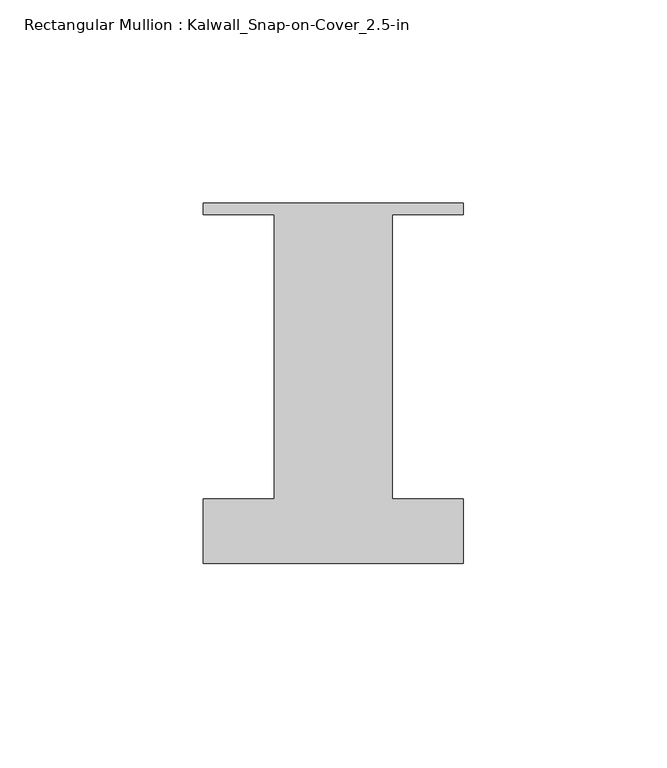
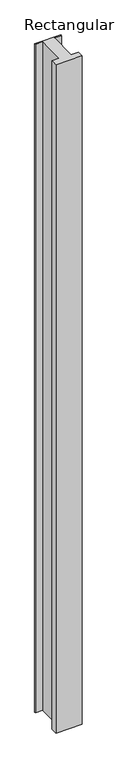
"""IFC4 building model written with IfcOpenShell, lengths in millimetres: member geometry, Rectangular Mullion : Kalwall_Snap-on-Cover_2.5-in."""

from ifc_helpers import new_model, si_unit, frame, origin, place, context, project, spatial, polyline, outline, extrude, source, transform, mapped, element, save


def rectangular_mullion_kalwall_snap_on_cover_2_5_in_8d4034e4(model_context):
    return source(origin(), model_context, "Body", "SweptSolid", [
        extrude(outline(polyline([(-32.0, 37.794), (32.0, 37.794), (32.0, 35.0), (14.5, 35.0), (14.5, -35.0), (32.0, -35.0), (32.0, -50.875), (-32.0, -50.875), (-32.0, -35.0), (-14.5, -35.0), (-14.5, 35.0), (-32.0, 35.0), (-32.0, 37.794)])), frame((0.0, 0.0, -1712.875), z_axis=(0.0, 0.0, 1.0), x_axis=(1.0, 0.0, 0.0)), (0.0, 0.0, 1.0), 1712.875),
    ])


if __name__ == "__main__":
    model = new_model("IFC4")
    model_context = context("Model", 3, world=origin())
    ifc_project = project(units=[si_unit("LENGTHUNIT", "METRE", prefix="MILLI")], contexts=[model_context])
    site = spatial("IfcSite", under=ifc_project)
    building = spatial("IfcBuilding", under=site)
    placement = place(None, origin())
    rectangular_mullion_kalwall_snap_on_cover_2_5_in_shape = rectangular_mullion_kalwall_snap_on_cover_2_5_in_8d4034e4(model_context)
    element("IfcMember", 1, ObjectType="Rectangular Mullion : Kalwall_Snap-on-Cover_2.5-in", at=placement, inside=building, context=model_context, shape_type="MappedRepresentation", body=[
        mapped(rectangular_mullion_kalwall_snap_on_cover_2_5_in_shape, transform((0.0, 0.0, 0.0), x_axis=(1.0, 0.0, 0.0), y_axis=(0.0, 1.0, 0.0), z_axis=(0.0, 0.0, 1.0))),
    ])
    save(model, "model.ifc")
